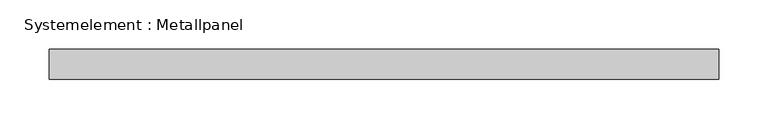
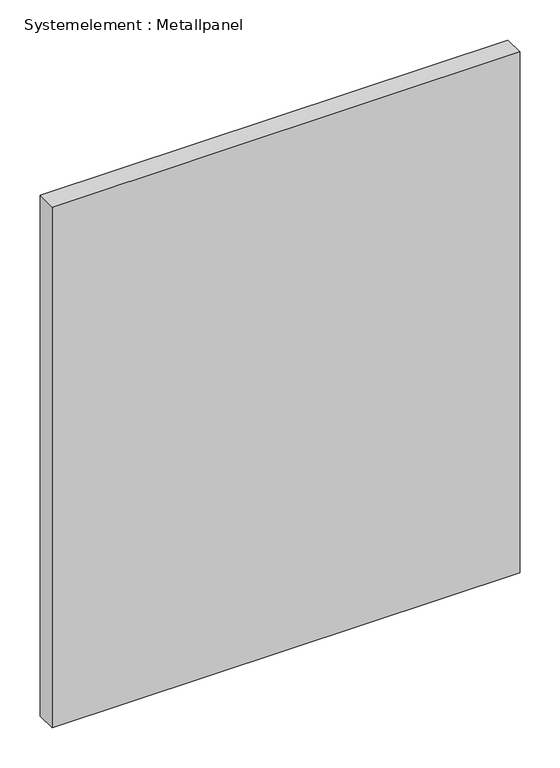
"""IFC4 building model written with IfcOpenShell, lengths in millimetres: plate geometry, Systemelement : Metallpanel."""

from ifc_helpers import new_model, si_unit, origin, origin_with_axes, place, context, project, spatial, polyline, outline, extrude, source, transform, mapped, element, save


def systemelement_metallpanel_8bdc2cf4(model_context):
    return source(origin(), model_context, "Body", "SweptSolid", [
        extrude(outline(polyline([(337.9763691, -15.0), (-337.9763691, -15.0), (-337.9763691, 15.0), (337.9763691, 15.0), (337.9763691, -15.0)])), origin_with_axes(), (0.0, 0.0, 1.0), 795.0),
    ])


if __name__ == "__main__":
    model = new_model("IFC4")
    model_context = context("Model", 3, world=origin())
    ifc_project = project(units=[si_unit("LENGTHUNIT", "METRE", prefix="MILLI")], contexts=[model_context])
    site = spatial("IfcSite", under=ifc_project)
    building = spatial("IfcBuilding", under=site)
    placement = place(None, origin())
    systemelement_metallpanel_shape = systemelement_metallpanel_8bdc2cf4(model_context)
    element("IfcPlate", 1, ObjectType="Systemelement : Metallpanel", at=placement, inside=building, context=model_context, shape_type="MappedRepresentation", body=[
        mapped(systemelement_metallpanel_shape, transform((0.0, 0.0, 0.0), x_axis=(1.0, 0.0, 0.0), y_axis=(0.0, 1.0, 0.0), z_axis=(0.0, 0.0, 1.0))),
    ])
    save(model, "model.ifc")
